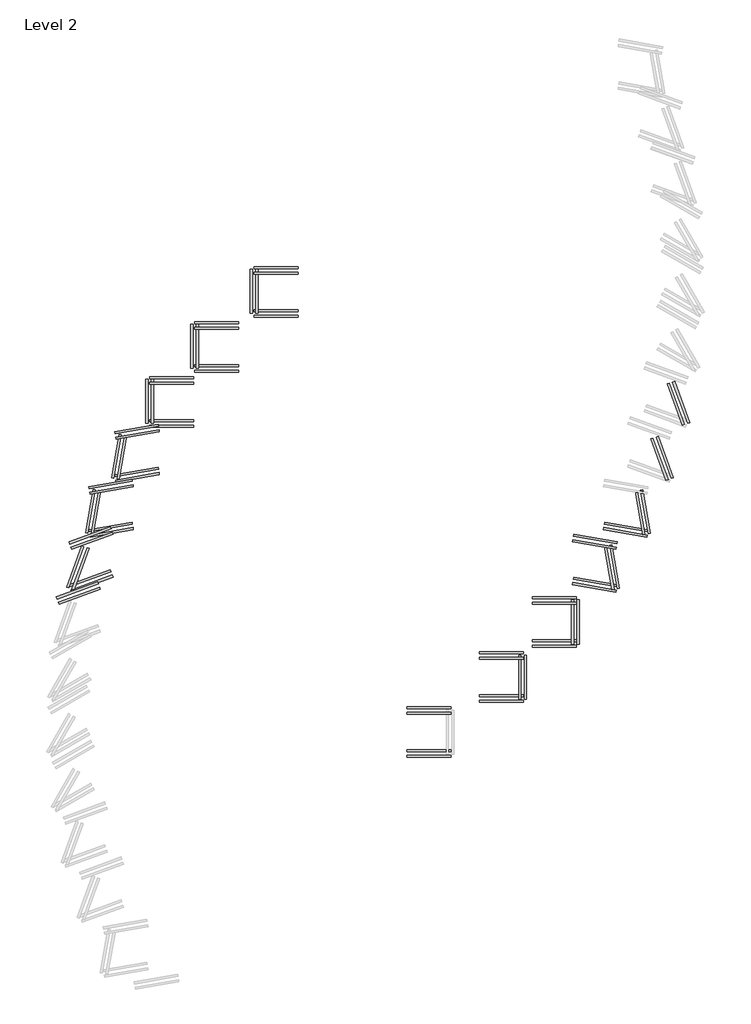
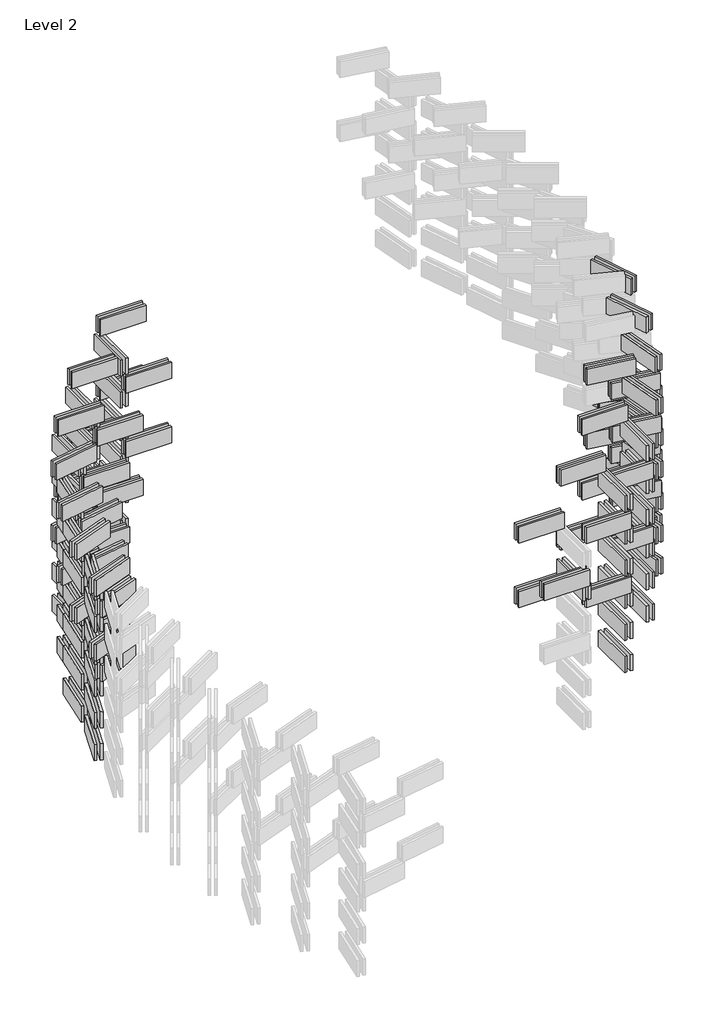
# One storey, part 2 of 3: 113 proxies.
"""IFC4 building model written with IfcOpenShell, lengths in millimetres."""

import ifcopenshell
import ifcopenshell.guid

model = None  # the IFC model being written
_history = None  # IfcOwnerHistory: only IFC2X3 demands one
_inside = {}  # id of a spatial element -> (the spatial element, [elements in it])
_under = {}  # id of a project, library or spatial element -> (it, [spatial elements below it])
_declared = {}  # id of a project -> (the project, [libraries it declares])
_typed = {}  # id of a type object -> (the type object, [elements of that type])
_made_of = {}  # id of a material, layer set ... -> (it, [elements and type objects made of it])


def new_model(schema):
    """Start an empty IFC model of exactly this schema.

    Asked for "IFC4X3", IfcOpenShell would pick the latest addendum, in which some entities
    have other attributes; the version numbers below select the first issue.
    IFC2X3 requires an IfcOwnerHistory on every rooted entity: one is made here for all.
    """
    global model, _history
    if schema == "IFC4X3":
        model = ifcopenshell.file(schema_version=(4, 3, 0, 0))
    else:
        model = ifcopenshell.file(schema=schema)
    _inside.clear()
    _under.clear()
    _declared.clear()
    _typed.clear()
    _made_of.clear()
    _history = None
    if model.schema == "IFC2X3":
        org = make("IfcOrganization", Name="unknown")
        user = make(
            "IfcPersonAndOrganization",
            ThePerson=make("IfcPerson", FamilyName="unknown"),
            TheOrganization=org,
        )
        app = make(
            "IfcApplication",
            ApplicationDeveloper=org,
            Version="unknown",
            ApplicationFullName="unknown",
            ApplicationIdentifier="unknown",
        )
        _history = make(
            "IfcOwnerHistory",
            OwningUser=user,
            OwningApplication=app,
            ChangeAction="ADDED",
            CreationDate=0,
        )
    return model


def make(cls, **values):
    """One entity of the class cls with the attributes given. An attribute that is None is left unset."""
    return model.create_entity(
        cls, **{name: value for name, value in values.items() if value is not None}
    )


def rooted(cls, **values):
    """An entity with a GlobalId (a new one), such as an element, a storey or a relation."""
    return make(cls, GlobalId=ifcopenshell.guid.new(), OwnerHistory=_history, **values)


def si_unit(unit_type, name, prefix=None):
    """IfcSIUnit, for example si_unit("LENGTHUNIT", "METRE", prefix="MILLI")."""
    return make("IfcSIUnit", UnitType=unit_type, Prefix=prefix, Name=name)


def assignment(units):
    """IfcUnitAssignment: the units of a project."""
    return None if units is None else make("IfcUnitAssignment", Units=units)


def point(xyz):
    """IfcCartesianPoint."""
    return None if xyz is None else make("IfcCartesianPoint", Coordinates=xyz)


def direction(xyz):
    """IfcDirection."""
    return None if xyz is None else make("IfcDirection", DirectionRatios=xyz)


def frame(location, z_axis=None, x_axis=None):
    """IfcAxis2Placement3D, a coordinate frame: its origin and axes. An axis left out is left unset."""
    return make(
        "IfcAxis2Placement3D",
        Location=point(location),
        Axis=direction(z_axis),
        RefDirection=direction(x_axis),
    )


def origin():
    """The frame at (0, 0, 0) with its axes left unset."""
    return frame((0.0, 0.0, 0.0))


def origin_with_axes():
    """The frame at (0, 0, 0) with the z axis (0, 0, 1) and the x axis (1, 0, 0) written out."""
    return frame((0.0, 0.0, 0.0), z_axis=(0.0, 0.0, 1.0), x_axis=(1.0, 0.0, 0.0))


def place(relative_to, where):
    """IfcLocalPlacement: puts the frame where relative to a parent placement (None: the world)."""
    return make(
        "IfcLocalPlacement", PlacementRelTo=relative_to, RelativePlacement=where
    )


def context(
    kind, dimensions, precision=None, world=None, true_north=None, identifier=None
):
    """IfcGeometricRepresentationContext, for example the 3D "Model" context."""
    return make(
        "IfcGeometricRepresentationContext",
        ContextIdentifier=identifier,
        ContextType=kind,
        CoordinateSpaceDimension=dimensions,
        Precision=precision,
        WorldCoordinateSystem=world,
        TrueNorth=true_north,
    )


def project(units=None, contexts=None):
    """IfcProject with its units and contexts."""
    return rooted(
        "IfcProject",
        Name="project",
        RepresentationContexts=contexts,
        UnitsInContext=assignment(units),
    )


def spatial(cls, under=None, at=None, **own):
    """A site, building, storey or space (cls), placed at a placement, below another one or the project."""
    s = rooted(cls, ObjectPlacement=at, **own)
    if under is not None:
        _under.setdefault(under.id(), (under, []))[1].append(s)
    return s


def polyline(points):
    """IfcPolyline through the points."""
    return make("IfcPolyline", Points=[point(p) for p in points])


def outline(outer, holes=None, kind="AREA"):
    """IfcArbitraryClosedProfileDef: a profile drawn as a closed curve; with holes, ...WithVoids."""
    if holes is None:
        return make("IfcArbitraryClosedProfileDef", ProfileType=kind, OuterCurve=outer)
    return make(
        "IfcArbitraryProfileDefWithVoids",
        ProfileType=kind,
        OuterCurve=outer,
        InnerCurves=holes,
    )


def extrude(swept, where, along, depth):
    """IfcExtrudedAreaSolid: the profile swept, set in the frame where, extruded along a direction by depth."""
    return make(
        "IfcExtrudedAreaSolid",
        SweptArea=swept,
        Position=where,
        ExtrudedDirection=direction(along),
        Depth=depth,
    )


def shape(context_of_items, identifier, shape_type, items):
    """IfcShapeRepresentation: the items that make up one representation, for example the "Body"."""
    return make(
        "IfcShapeRepresentation",
        ContextOfItems=context_of_items,
        RepresentationIdentifier=identifier,
        RepresentationType=shape_type,
        Items=items,
    )


def source(mapping_origin, context_of_items, identifier, shape_type, items):
    """IfcRepresentationMap: a shape defined once, which mapped items show again and again."""
    return make(
        "IfcRepresentationMap",
        MappingOrigin=mapping_origin,
        MappedRepresentation=shape(context_of_items, identifier, shape_type, items),
    )


def transform(
    local_origin,
    x_axis=None,
    y_axis=None,
    z_axis=None,
    scale=None,
    scale2=None,
    scale3=None,
    uniform=True,
):
    """IfcCartesianTransformationOperator3D, or its non-uniform kind. x_axis, y_axis, z_axis: its Axis1, 2, 3."""
    if uniform:
        return make(
            "IfcCartesianTransformationOperator3D",
            Axis1=direction(x_axis),
            Axis2=direction(y_axis),
            LocalOrigin=point(local_origin),
            Scale=scale,
            Axis3=direction(z_axis),
        )
    return make(
        "IfcCartesianTransformationOperator3DnonUniform",
        Axis1=direction(x_axis),
        Axis2=direction(y_axis),
        LocalOrigin=point(local_origin),
        Scale=scale,
        Axis3=direction(z_axis),
        Scale2=scale2,
        Scale3=scale3,
    )


def mapped(mapping_source, mapping_target):
    """IfcMappedItem: shows the shape of a source again, moved by a transform."""
    return make(
        "IfcMappedItem", MappingSource=mapping_source, MappingTarget=mapping_target
    )


def made_of(thing, what):
    """Note that an element or type object is made of a material, layer set ...; save() writes the relation."""
    if what is not None:
        _made_of.setdefault(what.id(), (what, []))[1].append(thing)
    return thing


def element(
    cls,
    number,
    at=None,
    inside=None,
    cuts=None,
    type_object=None,
    material=None,
    context=None,
    identifier="Body",
    shape_type=None,
    held_by="IfcProductDefinitionShape",
    body=None,
    shapes=None,
    **own,
):
    """One element of the class cls, such as IfcWall. Its Tag is "e" and its number.

    at: its placement. inside: the storey or other place that contains it. cuts: it is an
    opening in that element (IfcRelVoidsElement). A single representation is given by context,
    identifier, shape_type and body (its items); several are given by shapes. held_by: the class
    of the entity that holds the representations. save() writes the other relations.
    """
    e = rooted(cls, Tag="e%d" % number, ObjectPlacement=at, **own)
    if body is not None:
        shapes = [shape(context, identifier, shape_type, body)]
    if shapes is not None:
        e.Representation = make(held_by, Representations=shapes)
    if inside is not None:
        _inside.setdefault(inside.id(), (inside, []))[1].append(e)
    if cuts is not None:
        rooted(
            "IfcRelVoidsElement", RelatingBuildingElement=cuts, RelatedOpeningElement=e
        )
    if type_object is not None:
        _typed.setdefault(type_object.id(), (type_object, []))[1].append(e)
    return made_of(e, material)


def aggregate(whole, parts):
    """IfcRelAggregates: a whole, such as a stair, and the parts it consists of."""
    return rooted("IfcRelAggregates", RelatingObject=whole, RelatedObjects=parts)


def save(model, path):
    """Write the relations noted so far, then the file.

    IfcRelAggregates (storeys below a building ...), IfcRelContainedInSpatialStructure (elements
    in a storey), IfcRelDefinesByType, IfcRelAssociatesMaterial and IfcRelDeclares: one each for
    every whole, place, type object, material and project.
    """
    for whole, parts in _under.values():
        aggregate(whole, parts)
    for where, things in _inside.values():
        rooted(
            "IfcRelContainedInSpatialStructure",
            RelatedElements=things,
            RelatingStructure=where,
        )
    for kind, things in _typed.values():
        rooted("IfcRelDefinesByType", RelatedObjects=things, RelatingType=kind)
    for what, things in _made_of.values():
        rooted("IfcRelAssociatesMaterial", RelatedObjects=things, RelatingMaterial=what)
    for by, libraries in _declared.values():
        rooted("IfcRelDeclares", RelatingContext=by, RelatedDefinitions=libraries)
    model.write(path)


def generic_models_dbbdefe7(model_context):
    return source(origin(), model_context, "Body", "SweptSolid", [
        extrude(outline(polyline([(381.0073505, 122.712668), (387.8477533, 103.9188156), (11.970705, -32.8892417), (5.1303021, -14.0953893), (381.0073505, 122.712668)])), origin_with_axes(), (0.0, 0.0, 1.0), 150.0),
        extrude(outline(polyline([(363.9063433, 169.6972991), (370.7467462, 150.9034466), (-5.1303021, 14.0953893), (-11.970705, 32.8892417), (363.9063433, 169.6972991)])), origin_with_axes(), (0.0, 0.0, 1.0), 150.0),
    ])


def generic_models_43b23234(model_context):
    return source(origin(), model_context, "Body", "SweptSolid", [
        extrude(outline(polyline([(381.0073505, -122.712668), (5.1303021, 14.0953893), (11.970705, 32.8892417), (387.8477533, -103.9188156), (381.0073505, -122.712668)])), origin_with_axes(), (0.0, 0.0, 1.0), 150.0),
        extrude(outline(polyline([(363.9063433, -169.6972991), (-11.970705, -32.8892417), (-5.1303021, -14.0953893), (370.7467462, -150.9034466), (363.9063433, -169.6972991)])), origin_with_axes(), (0.0, 0.0, 1.0), 150.0),
    ])


def generic_models_25ff0691(model_context):
    return source(origin(), model_context, "Body", "SweptSolid", [
        extrude(outline(polyline([(400.0, -15.0), (400.0, -35.0), (0.0, -35.0), (0.0, -15.0), (400.0, -15.0)])), origin_with_axes(), (0.0, 0.0, 1.0), 150.0),
        extrude(outline(polyline([(400.0, 35.0), (400.0, 15.0), (0.0, 15.0), (0.0, 35.0), (400.0, 35.0)])), origin_with_axes(), (0.0, 0.0, 1.0), 150.0),
    ])


def generic_models_edf4453d(model_context):
    return source(origin(), model_context, "Body", "SweptSolid", [
        extrude(outline(polyline([(396.5278239, 54.6871548), (400.0007874, 34.9909997), (6.0776862, -34.4682714), (2.6047227, -14.7721163), (396.5278239, 54.6871548)])), origin_with_axes(), (0.0, 0.0, 1.0), 150.0),
        extrude(outline(polyline([(387.845415, 103.9275424), (391.3183785, 84.2313874), (-2.6047227, 14.7721163), (-6.0776862, 34.4682714), (387.845415, 103.9275424)])), origin_with_axes(), (0.0, 0.0, 1.0), 150.0),
    ])


def generic_models_8362e1e6(model_context):
    return source(origin(), model_context, "Body", "SweptSolid", [
        extrude(outline(polyline([(400.0, 15.0), (0.0, 15.0), (0.0, 35.0), (400.0, 35.0), (400.0, 15.0)])), origin_with_axes(), (0.0, 0.0, 1.0), 150.0),
        extrude(outline(polyline([(400.0, -35.0), (0.0, -35.0), (0.0, -15.0), (400.0, -15.0), (400.0, -35.0)])), origin_with_axes(), (0.0, 0.0, 1.0), 150.0),
    ])


def generic_models_812c0de3(model_context):
    return source(origin(), model_context, "Body", "SweptSolid", [
        extrude(outline(polyline([(396.5278239, -54.6871548), (2.6047227, 14.7721163), (6.0776862, 34.4682714), (400.0007874, -34.9909997), (396.5278239, -54.6871548)])), origin_with_axes(), (0.0, 0.0, 1.0), 150.0),
        extrude(outline(polyline([(387.845415, -103.9275424), (-6.0776862, -34.4682714), (-2.6047227, -14.7721163), (391.3183785, -84.2313874), (387.845415, -103.9275424)])), origin_with_axes(), (0.0, 0.0, 1.0), 150.0),
    ])


def generic_models_09aed395(model_context):
    return source(origin(), model_context, "Body", "SweptSolid", [
        extrude(outline(polyline([(15.0, 400.0), (35.0, 400.0), (35.0, 0.0), (15.0, 0.0), (15.0, 400.0)])), origin_with_axes(), (0.0, 0.0, 1.0), 150.0),
        extrude(outline(polyline([(-35.0, 400.0), (-15.0, 400.0), (-15.0, 0.0), (-35.0, 0.0), (-35.0, 400.0)])), origin_with_axes(), (0.0, 0.0, 1.0), 150.0),
    ])


def generic_models_a8825e89(model_context):
    return source(origin(), model_context, "Body", "SweptSolid", [
        extrude(outline(polyline([(84.2313874, 391.3183785), (103.9275424, 387.845415), (34.4682714, -6.0776862), (14.7721163, -2.6047227), (84.2313874, 391.3183785)])), origin_with_axes(), (0.0, 0.0, 1.0), 150.0),
        extrude(outline(polyline([(34.9909997, 400.0007874), (54.6871548, 396.5278239), (-14.7721163, 2.6047227), (-34.4682714, 6.0776862), (34.9909997, 400.0007874)])), origin_with_axes(), (0.0, 0.0, 1.0), 150.0),
    ])


def generic_models_9df1e602(model_context):
    return source(origin(), model_context, "Body", "SweptSolid", [
        extrude(outline(polyline([(150.9034466, 370.7467462), (169.6972991, 363.9063433), (32.8892417, -11.970705), (14.0953893, -5.1303021), (150.9034466, 370.7467462)])), origin_with_axes(), (0.0, 0.0, 1.0), 150.0),
        extrude(outline(polyline([(103.9188156, 387.8477533), (122.712668, 381.0073505), (-14.0953893, 5.1303021), (-32.8892417, 11.970705), (103.9188156, 387.8477533)])), origin_with_axes(), (0.0, 0.0, 1.0), 150.0),
    ])


def generic_models_3ea0953a(model_context):
    return source(origin(), model_context, "Body", "SweptSolid", [
        extrude(outline(polyline([(15.0, -400.0), (15.0, 0.0), (35.0, 0.0), (35.0, -400.0), (15.0, -400.0)])), origin_with_axes(), (0.0, 0.0, 1.0), 150.0),
        extrude(outline(polyline([(-35.0, -400.0), (-35.0, 0.0), (-15.0, 0.0), (-15.0, -400.0), (-35.0, -400.0)])), origin_with_axes(), (0.0, 0.0, 1.0), 150.0),
    ])


def generic_models_ab548b91(model_context):
    return source(origin(), model_context, "Body", "SweptSolid", [
        extrude(outline(polyline([(84.2313874, -391.3183785), (14.7721163, 2.6047227), (34.4682714, 6.0776862), (103.9275424, -387.845415), (84.2313874, -391.3183785)])), origin_with_axes(), (0.0, 0.0, 1.0), 150.0),
        extrude(outline(polyline([(34.9909997, -400.0007874), (-34.4682714, -6.0776862), (-14.7721163, -2.6047227), (54.6871548, -396.5278239), (34.9909997, -400.0007874)])), origin_with_axes(), (0.0, 0.0, 1.0), 150.0),
    ])


def generic_models_c24a9490(model_context):
    return source(origin(), model_context, "Body", "SweptSolid", [
        extrude(outline(polyline([(150.9034466, -370.7467462), (14.0953893, 5.1303021), (32.8892417, 11.970705), (169.6972991, -363.9063433), (150.9034466, -370.7467462)])), origin_with_axes(), (0.0, 0.0, 1.0), 150.0),
        extrude(outline(polyline([(103.9188156, -387.8477533), (-32.8892417, -11.970705), (-14.0953893, -5.1303021), (122.712668, -381.0073505), (103.9188156, -387.8477533)])), origin_with_axes(), (0.0, 0.0, 1.0), 150.0),
    ])


model = new_model("IFC4")

# Units and contexts
model_context = context("Model", 3, world=origin())
ifc_project = project(units=[si_unit("LENGTHUNIT", "METRE", prefix="MILLI")], contexts=[model_context])

# Site, building, storey
site = spatial("IfcSite", under=ifc_project)
building = spatial("IfcBuilding", under=site)
storey = spatial("IfcBuildingStorey", under=building, Name="Level 2", Elevation=4000.0)

# Proxies
placement = place(None, origin())
generic_models_shape = generic_models_dbbdefe7(model_context)
element("IfcBuildingElementProxy", 1, Name="Generic Models", at=placement, inside=storey, context=model_context, shape_type="MappedRepresentation", body=[
    mapped(generic_models_shape, transform((-7804.8596319, 4362.904145, 1800.0), x_axis=(1.0, 0.0, 0.0), y_axis=(0.0, 1.0, 0.0), z_axis=(0.0, 0.0, 1.0))),
])
element("IfcBuildingElementProxy", 2, Name="Generic Models", at=placement, inside=storey, context=model_context, shape_type="MappedRepresentation", body=[
    mapped(generic_models_shape, transform((-7919.8225254, 4252.904145, 2100.0), x_axis=(1.0, 0.0, 0.0), y_axis=(0.0, 1.0, 0.0), z_axis=(0.0, 0.0, 1.0))),
])
element("IfcBuildingElementProxy", 3, Name="Generic Models", at=placement, inside=storey, context=model_context, shape_type="MappedRepresentation", body=[
    mapped(generic_models_shape, transform((-7804.8596319, 4752.904145, 2100.0), x_axis=(1.0, 0.0, 0.0), y_axis=(0.0, 1.0, 0.0), z_axis=(0.0, 0.0, 1.0))),
])
element("IfcBuildingElementProxy", 4, Name="Generic Models", at=placement, inside=storey, context=model_context, shape_type="MappedRepresentation", body=[
    mapped(generic_models_shape, transform((-7804.8596319, 4362.904145, 2399.9768168), x_axis=(1.0, 0.0, 0.0), y_axis=(0.0, 1.0, 0.0), z_axis=(0.0, 0.0, 1.0))),
])
element("IfcBuildingElementProxy", 5, Name="Generic Models", at=placement, inside=storey, context=model_context, shape_type="MappedRepresentation", body=[
    mapped(generic_models_shape, transform((-7919.8225254, 4252.904145, 2699.9768168), x_axis=(1.0, 0.0, 0.0), y_axis=(0.0, 1.0, 0.0), z_axis=(0.0, 0.0, 1.0))),
])
element("IfcBuildingElementProxy", 6, Name="Generic Models", at=placement, inside=storey, context=model_context, shape_type="MappedRepresentation", body=[
    mapped(generic_models_shape, transform((-7804.8596319, 4752.904145, 2699.9768168), x_axis=(1.0, 0.0, 0.0), y_axis=(0.0, 1.0, 0.0), z_axis=(0.0, 0.0, 1.0))),
])
generic_models_2_shape = generic_models_43b23234(model_context)
element("IfcBuildingElementProxy", 7, Name="Generic Models", at=placement, inside=storey, context=model_context, shape_type="MappedRepresentation", body=[
    mapped(generic_models_2_shape, transform((-2347.7008186, 5362.904145, 1800.0), x_axis=(-1.0, 0.0, 0.0), y_axis=(0.0, -1.0, 0.0), z_axis=(0.0, 0.0, 1.0))),
])
generic_models_3_shape = generic_models_25ff0691(model_context)
element("IfcBuildingElementProxy", 8, Name="Generic Models", at=placement, inside=storey, context=model_context, shape_type="MappedRepresentation", body=[
    mapped(generic_models_3_shape, transform((-7083.3626154, 5862.904145, 1800.0), x_axis=(1.0, 0.0, 0.0), y_axis=(0.0, 1.0, 0.0), z_axis=(0.0, 0.0, 1.0))),
])
element("IfcBuildingElementProxy", 9, Name="Generic Models", at=placement, inside=storey, context=model_context, shape_type="MappedRepresentation", body=[
    mapped(generic_models_3_shape, transform((-6675.6069533, 6362.904145, 1800.0), x_axis=(1.0, 0.0, 0.0), y_axis=(0.0, 1.0, 0.0), z_axis=(0.0, 0.0, 1.0))),
])
element("IfcBuildingElementProxy", 10, Name="Generic Models", at=placement, inside=storey, context=model_context, shape_type="MappedRepresentation", body=[
    mapped(generic_models_3_shape, transform((-6134.5620549, 6862.904145, 1800.0), x_axis=(1.0, 0.0, 0.0), y_axis=(0.0, 1.0, 0.0), z_axis=(0.0, 0.0, 1.0))),
])
element("IfcBuildingElementProxy", 11, Name="Generic Models", at=placement, inside=storey, context=model_context, shape_type="MappedRepresentation", body=[
    mapped(generic_models_3_shape, transform((-7083.3626154, 6252.904145, 2100.0), x_axis=(1.0, 0.0, 0.0), y_axis=(0.0, 1.0, 0.0), z_axis=(0.0, 0.0, 1.0))),
])
element("IfcBuildingElementProxy", 12, Name="Generic Models", at=placement, inside=storey, context=model_context, shape_type="MappedRepresentation", body=[
    mapped(generic_models_3_shape, transform((-6675.6069533, 6752.904145, 2100.0), x_axis=(1.0, 0.0, 0.0), y_axis=(0.0, 1.0, 0.0), z_axis=(0.0, 0.0, 1.0))),
])
element("IfcBuildingElementProxy", 13, Name="Generic Models", at=placement, inside=storey, context=model_context, shape_type="MappedRepresentation", body=[
    mapped(generic_models_3_shape, transform((-6134.5620549, 7252.904145, 2100.0), x_axis=(1.0, 0.0, 0.0), y_axis=(0.0, 1.0, 0.0), z_axis=(0.0, 0.0, 1.0))),
])
element("IfcBuildingElementProxy", 14, Name="Generic Models", at=placement, inside=storey, context=model_context, shape_type="MappedRepresentation", body=[
    mapped(generic_models_3_shape, transform((-7083.3626154, 5862.904145, 2399.9768168), x_axis=(1.0, 0.0, 0.0), y_axis=(0.0, 1.0, 0.0), z_axis=(0.0, 0.0, 1.0))),
])
element("IfcBuildingElementProxy", 15, Name="Generic Models", at=placement, inside=storey, context=model_context, shape_type="MappedRepresentation", body=[
    mapped(generic_models_3_shape, transform((-6675.6069533, 6362.904145, 2399.9768168), x_axis=(1.0, 0.0, 0.0), y_axis=(0.0, 1.0, 0.0), z_axis=(0.0, 0.0, 1.0))),
])
element("IfcBuildingElementProxy", 16, Name="Generic Models", at=placement, inside=storey, context=model_context, shape_type="MappedRepresentation", body=[
    mapped(generic_models_3_shape, transform((-6134.5620549, 6862.904145, 2399.9768168), x_axis=(1.0, 0.0, 0.0), y_axis=(0.0, 1.0, 0.0), z_axis=(0.0, 0.0, 1.0))),
])
element("IfcBuildingElementProxy", 17, Name="Generic Models", at=placement, inside=storey, context=model_context, shape_type="MappedRepresentation", body=[
    mapped(generic_models_3_shape, transform((-7083.3626154, 6252.904145, 2699.9768168), x_axis=(1.0, 0.0, 0.0), y_axis=(0.0, 1.0, 0.0), z_axis=(0.0, 0.0, 1.0))),
])
element("IfcBuildingElementProxy", 18, Name="Generic Models", at=placement, inside=storey, context=model_context, shape_type="MappedRepresentation", body=[
    mapped(generic_models_3_shape, transform((-6675.6069533, 6752.904145, 2699.9768168), x_axis=(1.0, 0.0, 0.0), y_axis=(0.0, 1.0, 0.0), z_axis=(0.0, 0.0, 1.0))),
])
element("IfcBuildingElementProxy", 19, Name="Generic Models", at=placement, inside=storey, context=model_context, shape_type="MappedRepresentation", body=[
    mapped(generic_models_3_shape, transform((-6134.5620549, 7252.904145, 2699.9768168), x_axis=(1.0, 0.0, 0.0), y_axis=(0.0, 1.0, 0.0), z_axis=(0.0, 0.0, 1.0))),
])
generic_models_4_shape = generic_models_edf4453d(model_context)
element("IfcBuildingElementProxy", 20, Name="Generic Models", at=placement, inside=storey, context=model_context, shape_type="MappedRepresentation", body=[
    mapped(generic_models_4_shape, transform((-7632.4634059, 4862.904145, 1800.0), x_axis=(1.0, 0.0, 0.0), y_axis=(0.0, 1.0, 0.0), z_axis=(0.0, 0.0, 1.0))),
])
element("IfcBuildingElementProxy", 21, Name="Generic Models", at=placement, inside=storey, context=model_context, shape_type="MappedRepresentation", body=[
    mapped(generic_models_4_shape, transform((-7395.7595558, 5362.904145, 1800.0), x_axis=(1.0, 0.0, 0.0), y_axis=(0.0, 1.0, 0.0), z_axis=(0.0, 0.0, 1.0))),
])
element("IfcBuildingElementProxy", 22, Name="Generic Models", at=placement, inside=storey, context=model_context, shape_type="MappedRepresentation", body=[
    mapped(generic_models_4_shape, transform((-7632.4634059, 5252.904145, 2100.0), x_axis=(1.0, 0.0, 0.0), y_axis=(0.0, 1.0, 0.0), z_axis=(0.0, 0.0, 1.0))),
])
element("IfcBuildingElementProxy", 23, Name="Generic Models", at=placement, inside=storey, context=model_context, shape_type="MappedRepresentation", body=[
    mapped(generic_models_4_shape, transform((-7395.7595558, 5752.904145, 2100.0), x_axis=(1.0, 0.0, 0.0), y_axis=(0.0, 1.0, 0.0), z_axis=(0.0, 0.0, 1.0))),
])
element("IfcBuildingElementProxy", 24, Name="Generic Models", at=placement, inside=storey, context=model_context, shape_type="MappedRepresentation", body=[
    mapped(generic_models_4_shape, transform((-7632.4634059, 4862.904145, 2399.9768168), x_axis=(1.0, 0.0, 0.0), y_axis=(0.0, 1.0, 0.0), z_axis=(0.0, 0.0, 1.0))),
])
element("IfcBuildingElementProxy", 25, Name="Generic Models", at=placement, inside=storey, context=model_context, shape_type="MappedRepresentation", body=[
    mapped(generic_models_4_shape, transform((-7395.7595558, 5362.904145, 2399.9768168), x_axis=(1.0, 0.0, 0.0), y_axis=(0.0, 1.0, 0.0), z_axis=(0.0, 0.0, 1.0))),
])
element("IfcBuildingElementProxy", 26, Name="Generic Models", at=placement, inside=storey, context=model_context, shape_type="MappedRepresentation", body=[
    mapped(generic_models_4_shape, transform((-7632.4634059, 5252.904145, 2699.9768168), x_axis=(1.0, 0.0, 0.0), y_axis=(0.0, 1.0, 0.0), z_axis=(0.0, 0.0, 1.0))),
])
element("IfcBuildingElementProxy", 27, Name="Generic Models", at=placement, inside=storey, context=model_context, shape_type="MappedRepresentation", body=[
    mapped(generic_models_4_shape, transform((-7395.7595558, 5752.904145, 2699.9768168), x_axis=(1.0, 0.0, 0.0), y_axis=(0.0, 1.0, 0.0), z_axis=(0.0, 0.0, 1.0))),
])
generic_models_5_shape = generic_models_8362e1e6(model_context)
element("IfcBuildingElementProxy", 28, Name="Generic Models", at=placement, inside=storey, context=model_context, shape_type="MappedRepresentation", body=[
    mapped(generic_models_5_shape, transform((-3685.5578323, 3362.904145, 1800.0), x_axis=(-1.0, 0.0, 0.0), y_axis=(0.0, -1.0, 0.0), z_axis=(0.0, 0.0, 1.0))),
])
element("IfcBuildingElementProxy", 29, Name="Generic Models", at=placement, inside=storey, context=model_context, shape_type="MappedRepresentation", body=[
    mapped(generic_models_5_shape, transform((-3204.4083637, 3862.904145, 1800.0), x_axis=(-1.0, 0.0, 0.0), y_axis=(0.0, -1.0, 0.0), z_axis=(0.0, 0.0, 1.0))),
])
element("IfcBuildingElementProxy", 30, Name="Generic Models", at=placement, inside=storey, context=model_context, shape_type="MappedRepresentation", body=[
    mapped(generic_models_5_shape, transform((-4343.5315996, 3252.904145, 2100.0), x_axis=(-1.0, 0.0, 0.0), y_axis=(0.0, -1.0, 0.0), z_axis=(0.0, 0.0, 1.0))),
])
element("IfcBuildingElementProxy", 31, Name="Generic Models", at=placement, inside=storey, context=model_context, shape_type="MappedRepresentation", body=[
    mapped(generic_models_5_shape, transform((-3685.5578323, 3752.904145, 2100.0), x_axis=(-1.0, 0.0, 0.0), y_axis=(0.0, -1.0, 0.0), z_axis=(0.0, 0.0, 1.0))),
])
element("IfcBuildingElementProxy", 32, Name="Generic Models", at=placement, inside=storey, context=model_context, shape_type="MappedRepresentation", body=[
    mapped(generic_models_5_shape, transform((-3204.4083637, 4252.904145, 2100.0), x_axis=(-1.0, 0.0, 0.0), y_axis=(0.0, -1.0, 0.0), z_axis=(0.0, 0.0, 1.0))),
])
element("IfcBuildingElementProxy", 33, Name="Generic Models", at=placement, inside=storey, context=model_context, shape_type="MappedRepresentation", body=[
    mapped(generic_models_5_shape, transform((-4343.5315996, 2862.904145, 2399.9768168), x_axis=(-1.0, 0.0, 0.0), y_axis=(0.0, -1.0, 0.0), z_axis=(0.0, 0.0, 1.0))),
])
element("IfcBuildingElementProxy", 34, Name="Generic Models", at=placement, inside=storey, context=model_context, shape_type="MappedRepresentation", body=[
    mapped(generic_models_5_shape, transform((-3685.5578323, 3362.904145, 2399.9768168), x_axis=(-1.0, 0.0, 0.0), y_axis=(0.0, -1.0, 0.0), z_axis=(0.0, 0.0, 1.0))),
])
element("IfcBuildingElementProxy", 35, Name="Generic Models", at=placement, inside=storey, context=model_context, shape_type="MappedRepresentation", body=[
    mapped(generic_models_5_shape, transform((-3204.4083637, 3862.904145, 2399.9768168), x_axis=(-1.0, 0.0, 0.0), y_axis=(0.0, -1.0, 0.0), z_axis=(0.0, 0.0, 1.0))),
])
element("IfcBuildingElementProxy", 36, Name="Generic Models", at=placement, inside=storey, context=model_context, shape_type="MappedRepresentation", body=[
    mapped(generic_models_5_shape, transform((-4343.5315996, 3252.904145, 2699.9768168), x_axis=(-1.0, 0.0, 0.0), y_axis=(0.0, -1.0, 0.0), z_axis=(0.0, 0.0, 1.0))),
])
element("IfcBuildingElementProxy", 37, Name="Generic Models", at=placement, inside=storey, context=model_context, shape_type="MappedRepresentation", body=[
    mapped(generic_models_5_shape, transform((-3685.5578323, 3752.904145, 2699.9768168), x_axis=(-1.0, 0.0, 0.0), y_axis=(0.0, -1.0, 0.0), z_axis=(0.0, 0.0, 1.0))),
])
element("IfcBuildingElementProxy", 38, Name="Generic Models", at=placement, inside=storey, context=model_context, shape_type="MappedRepresentation", body=[
    mapped(generic_models_5_shape, transform((-3204.4083637, 4252.904145, 2699.9768168), x_axis=(-1.0, 0.0, 0.0), y_axis=(0.0, -1.0, 0.0), z_axis=(0.0, 0.0, 1.0))),
])
generic_models_6_shape = generic_models_812c0de3(model_context)
element("IfcBuildingElementProxy", 39, Name="Generic Models", at=placement, inside=storey, context=model_context, shape_type="MappedRepresentation", body=[
    mapped(generic_models_6_shape, transform((-2837.9691377, 4362.904145, 1800.0), x_axis=(-1.0, 0.0, 0.0), y_axis=(0.0, -1.0, 0.0), z_axis=(0.0, 0.0, 1.0))),
])
element("IfcBuildingElementProxy", 40, Name="Generic Models", at=placement, inside=storey, context=model_context, shape_type="MappedRepresentation", body=[
    mapped(generic_models_6_shape, transform((-2557.621087, 4862.904145, 1800.0), x_axis=(-1.0, 0.0, 0.0), y_axis=(0.0, -1.0, 0.0), z_axis=(0.0, 0.0, 1.0))),
])
element("IfcBuildingElementProxy", 41, Name="Generic Models", at=placement, inside=storey, context=model_context, shape_type="MappedRepresentation", body=[
    mapped(generic_models_6_shape, transform((-2837.9691377, 4752.904145, 2100.0), x_axis=(-1.0, 0.0, 0.0), y_axis=(0.0, -1.0, 0.0), z_axis=(0.0, 0.0, 1.0))),
])
element("IfcBuildingElementProxy", 42, Name="Generic Models", at=placement, inside=storey, context=model_context, shape_type="MappedRepresentation", body=[
    mapped(generic_models_6_shape, transform((-2837.9691377, 4362.904145, 2399.9768168), x_axis=(-1.0, 0.0, 0.0), y_axis=(0.0, -1.0, 0.0), z_axis=(0.0, 0.0, 1.0))),
])
element("IfcBuildingElementProxy", 43, Name="Generic Models", at=placement, inside=storey, context=model_context, shape_type="MappedRepresentation", body=[
    mapped(generic_models_6_shape, transform((-2557.621087, 4862.904145, 2399.9768168), x_axis=(-1.0, 0.0, 0.0), y_axis=(0.0, -1.0, 0.0), z_axis=(0.0, 0.0, 1.0))),
])
element("IfcBuildingElementProxy", 44, Name="Generic Models", at=placement, inside=storey, context=model_context, shape_type="MappedRepresentation", body=[
    mapped(generic_models_6_shape, transform((-2837.9691377, 4752.904145, 2699.9768168), x_axis=(-1.0, 0.0, 0.0), y_axis=(0.0, -1.0, 0.0), z_axis=(0.0, 0.0, 1.0))),
])
generic_models_7_shape = generic_models_09aed395(model_context)
element("IfcBuildingElementProxy", 45, Name="Generic Models", at=placement, inside=storey, context=model_context, shape_type="MappedRepresentation", body=[
    mapped(generic_models_7_shape, transform((-7083.3626154, 5862.904145, 1349.9768168), x_axis=(1.0, 0.0, 0.0), y_axis=(0.0, 1.0, 0.0), z_axis=(0.0, 0.0, 1.0))),
])
element("IfcBuildingElementProxy", 46, Name="Generic Models", at=placement, inside=storey, context=model_context, shape_type="MappedRepresentation", body=[
    mapped(generic_models_7_shape, transform((-6675.6069533, 6362.904145, 1349.9768168), x_axis=(1.0, 0.0, 0.0), y_axis=(0.0, 1.0, 0.0), z_axis=(0.0, 0.0, 1.0))),
])
element("IfcBuildingElementProxy", 47, Name="Generic Models", at=placement, inside=storey, context=model_context, shape_type="MappedRepresentation", body=[
    mapped(generic_models_7_shape, transform((-6134.5620549, 6862.904145, 1349.9768168), x_axis=(1.0, 0.0, 0.0), y_axis=(0.0, 1.0, 0.0), z_axis=(0.0, 0.0, 1.0))),
])
element("IfcBuildingElementProxy", 48, Name="Generic Models", at=placement, inside=storey, context=model_context, shape_type="MappedRepresentation", body=[
    mapped(generic_models_7_shape, transform((-7083.3626154, 5862.904145, 1049.9768168), x_axis=(1.0, 0.0, 0.0), y_axis=(0.0, 1.0, 0.0), z_axis=(0.0, 0.0, 1.0))),
])
element("IfcBuildingElementProxy", 49, Name="Generic Models", at=placement, inside=storey, context=model_context, shape_type="MappedRepresentation", body=[
    mapped(generic_models_7_shape, transform((-6675.6069533, 6362.904145, 1049.9768168), x_axis=(1.0, 0.0, 0.0), y_axis=(0.0, 1.0, 0.0), z_axis=(0.0, 0.0, 1.0))),
])
element("IfcBuildingElementProxy", 50, Name="Generic Models", at=placement, inside=storey, context=model_context, shape_type="MappedRepresentation", body=[
    mapped(generic_models_7_shape, transform((-6134.5620549, 6862.904145, 1049.9768168), x_axis=(1.0, 0.0, 0.0), y_axis=(0.0, 1.0, 0.0), z_axis=(0.0, 0.0, 1.0))),
])
element("IfcBuildingElementProxy", 51, Name="Generic Models", at=placement, inside=storey, context=model_context, shape_type="MappedRepresentation", body=[
    mapped(generic_models_7_shape, transform((-7083.3626154, 5862.904145, 2549.9768168), x_axis=(1.0, 0.0, 0.0), y_axis=(0.0, 1.0, 0.0), z_axis=(0.0, 0.0, 1.0))),
])
element("IfcBuildingElementProxy", 52, Name="Generic Models", at=placement, inside=storey, context=model_context, shape_type="MappedRepresentation", body=[
    mapped(generic_models_7_shape, transform((-6675.6069533, 6362.904145, 2549.9768168), x_axis=(1.0, 0.0, 0.0), y_axis=(0.0, 1.0, 0.0), z_axis=(0.0, 0.0, 1.0))),
])
element("IfcBuildingElementProxy", 53, Name="Generic Models", at=placement, inside=storey, context=model_context, shape_type="MappedRepresentation", body=[
    mapped(generic_models_7_shape, transform((-6134.5620549, 6862.904145, 2549.9768168), x_axis=(1.0, 0.0, 0.0), y_axis=(0.0, 1.0, 0.0), z_axis=(0.0, 0.0, 1.0))),
])
element("IfcBuildingElementProxy", 54, Name="Generic Models", at=placement, inside=storey, context=model_context, shape_type="MappedRepresentation", body=[
    mapped(generic_models_7_shape, transform((-7083.3626154, 5862.904145, 1650.0), x_axis=(1.0, 0.0, 0.0), y_axis=(0.0, 1.0, 0.0), z_axis=(0.0, 0.0, 1.0))),
])
element("IfcBuildingElementProxy", 55, Name="Generic Models", at=placement, inside=storey, context=model_context, shape_type="MappedRepresentation", body=[
    mapped(generic_models_7_shape, transform((-6675.6069533, 6362.904145, 1650.0), x_axis=(1.0, 0.0, 0.0), y_axis=(0.0, 1.0, 0.0), z_axis=(0.0, 0.0, 1.0))),
])
element("IfcBuildingElementProxy", 56, Name="Generic Models", at=placement, inside=storey, context=model_context, shape_type="MappedRepresentation", body=[
    mapped(generic_models_7_shape, transform((-6134.5620549, 6862.904145, 1650.0), x_axis=(1.0, 0.0, 0.0), y_axis=(0.0, 1.0, 0.0), z_axis=(0.0, 0.0, 1.0))),
])
element("IfcBuildingElementProxy", 57, Name="Generic Models", at=placement, inside=storey, context=model_context, shape_type="MappedRepresentation", body=[
    mapped(generic_models_7_shape, transform((-7083.3626154, 5862.904145, 1949.9768168), x_axis=(1.0, 0.0, 0.0), y_axis=(0.0, 1.0, 0.0), z_axis=(0.0, 0.0, 1.0))),
])
element("IfcBuildingElementProxy", 58, Name="Generic Models", at=placement, inside=storey, context=model_context, shape_type="MappedRepresentation", body=[
    mapped(generic_models_7_shape, transform((-6675.6069533, 6362.904145, 1949.9768168), x_axis=(1.0, 0.0, 0.0), y_axis=(0.0, 1.0, 0.0), z_axis=(0.0, 0.0, 1.0))),
])
element("IfcBuildingElementProxy", 59, Name="Generic Models", at=placement, inside=storey, context=model_context, shape_type="MappedRepresentation", body=[
    mapped(generic_models_7_shape, transform((-6134.5620549, 6862.904145, 1949.9768168), x_axis=(1.0, 0.0, 0.0), y_axis=(0.0, 1.0, 0.0), z_axis=(0.0, 0.0, 1.0))),
])
element("IfcBuildingElementProxy", 60, Name="Generic Models", at=placement, inside=storey, context=model_context, shape_type="MappedRepresentation", body=[
    mapped(generic_models_7_shape, transform((-7083.3626154, 5862.904145, 2249.9768168), x_axis=(1.0, 0.0, 0.0), y_axis=(0.0, 1.0, 0.0), z_axis=(0.0, 0.0, 1.0))),
])
element("IfcBuildingElementProxy", 61, Name="Generic Models", at=placement, inside=storey, context=model_context, shape_type="MappedRepresentation", body=[
    mapped(generic_models_7_shape, transform((-6675.6069533, 6362.904145, 2249.9768168), x_axis=(1.0, 0.0, 0.0), y_axis=(0.0, 1.0, 0.0), z_axis=(0.0, 0.0, 1.0))),
])
element("IfcBuildingElementProxy", 62, Name="Generic Models", at=placement, inside=storey, context=model_context, shape_type="MappedRepresentation", body=[
    mapped(generic_models_7_shape, transform((-6134.5620549, 6862.904145, 2249.9768168), x_axis=(1.0, 0.0, 0.0), y_axis=(0.0, 1.0, 0.0), z_axis=(0.0, 0.0, 1.0))),
])
generic_models_8_shape = generic_models_a8825e89(model_context)
element("IfcBuildingElementProxy", 63, Name="Generic Models", at=placement, inside=storey, context=model_context, shape_type="MappedRepresentation", body=[
    mapped(generic_models_8_shape, transform((-7632.4634059, 4862.904145, 1349.9768168), x_axis=(1.0, 0.0, 0.0), y_axis=(0.0, 1.0, 0.0), z_axis=(0.0, 0.0, 1.0))),
])
element("IfcBuildingElementProxy", 64, Name="Generic Models", at=placement, inside=storey, context=model_context, shape_type="MappedRepresentation", body=[
    mapped(generic_models_8_shape, transform((-7395.7595558, 5362.904145, 1349.9768168), x_axis=(1.0, 0.0, 0.0), y_axis=(0.0, 1.0, 0.0), z_axis=(0.0, 0.0, 1.0))),
])
element("IfcBuildingElementProxy", 65, Name="Generic Models", at=placement, inside=storey, context=model_context, shape_type="MappedRepresentation", body=[
    mapped(generic_models_8_shape, transform((-7632.4634059, 4862.904145, 1049.9768168), x_axis=(1.0, 0.0, 0.0), y_axis=(0.0, 1.0, 0.0), z_axis=(0.0, 0.0, 1.0))),
])
element("IfcBuildingElementProxy", 66, Name="Generic Models", at=placement, inside=storey, context=model_context, shape_type="MappedRepresentation", body=[
    mapped(generic_models_8_shape, transform((-7395.7595558, 5362.904145, 1049.9768168), x_axis=(1.0, 0.0, 0.0), y_axis=(0.0, 1.0, 0.0), z_axis=(0.0, 0.0, 1.0))),
])
element("IfcBuildingElementProxy", 67, Name="Generic Models", at=placement, inside=storey, context=model_context, shape_type="MappedRepresentation", body=[
    mapped(generic_models_8_shape, transform((-7632.4634059, 4862.904145, 2549.9768168), x_axis=(1.0, 0.0, 0.0), y_axis=(0.0, 1.0, 0.0), z_axis=(0.0, 0.0, 1.0))),
])
element("IfcBuildingElementProxy", 68, Name="Generic Models", at=placement, inside=storey, context=model_context, shape_type="MappedRepresentation", body=[
    mapped(generic_models_8_shape, transform((-7395.7595558, 5362.904145, 2549.9768168), x_axis=(1.0, 0.0, 0.0), y_axis=(0.0, 1.0, 0.0), z_axis=(0.0, 0.0, 1.0))),
])
element("IfcBuildingElementProxy", 69, Name="Generic Models", at=placement, inside=storey, context=model_context, shape_type="MappedRepresentation", body=[
    mapped(generic_models_8_shape, transform((-7632.4634059, 4862.904145, 1650.0), x_axis=(1.0, 0.0, 0.0), y_axis=(0.0, 1.0, 0.0), z_axis=(0.0, 0.0, 1.0))),
])
element("IfcBuildingElementProxy", 70, Name="Generic Models", at=placement, inside=storey, context=model_context, shape_type="MappedRepresentation", body=[
    mapped(generic_models_8_shape, transform((-7395.7595558, 5362.904145, 1650.0), x_axis=(1.0, 0.0, 0.0), y_axis=(0.0, 1.0, 0.0), z_axis=(0.0, 0.0, 1.0))),
])
element("IfcBuildingElementProxy", 71, Name="Generic Models", at=placement, inside=storey, context=model_context, shape_type="MappedRepresentation", body=[
    mapped(generic_models_8_shape, transform((-7632.4634059, 4862.904145, 1949.9768168), x_axis=(1.0, 0.0, 0.0), y_axis=(0.0, 1.0, 0.0), z_axis=(0.0, 0.0, 1.0))),
])
element("IfcBuildingElementProxy", 72, Name="Generic Models", at=placement, inside=storey, context=model_context, shape_type="MappedRepresentation", body=[
    mapped(generic_models_8_shape, transform((-7395.7595558, 5362.904145, 1949.9768168), x_axis=(1.0, 0.0, 0.0), y_axis=(0.0, 1.0, 0.0), z_axis=(0.0, 0.0, 1.0))),
])
element("IfcBuildingElementProxy", 73, Name="Generic Models", at=placement, inside=storey, context=model_context, shape_type="MappedRepresentation", body=[
    mapped(generic_models_8_shape, transform((-7632.4634059, 4862.904145, 2249.9768168), x_axis=(1.0, 0.0, 0.0), y_axis=(0.0, 1.0, 0.0), z_axis=(0.0, 0.0, 1.0))),
])
element("IfcBuildingElementProxy", 74, Name="Generic Models", at=placement, inside=storey, context=model_context, shape_type="MappedRepresentation", body=[
    mapped(generic_models_8_shape, transform((-7395.7595558, 5362.904145, 2249.9768168), x_axis=(1.0, 0.0, 0.0), y_axis=(0.0, 1.0, 0.0), z_axis=(0.0, 0.0, 1.0))),
])
generic_models_9_shape = generic_models_9df1e602(model_context)
element("IfcBuildingElementProxy", 75, Name="Generic Models", at=placement, inside=storey, context=model_context, shape_type="MappedRepresentation", body=[
    mapped(generic_models_9_shape, transform((-7804.8596319, 4362.904145, 1349.9768168), x_axis=(1.0, 0.0, 0.0), y_axis=(0.0, 1.0, 0.0), z_axis=(0.0, 0.0, 1.0))),
])
element("IfcBuildingElementProxy", 76, Name="Generic Models", at=placement, inside=storey, context=model_context, shape_type="MappedRepresentation", body=[
    mapped(generic_models_9_shape, transform((-7804.8596319, 4362.904145, 1049.9768168), x_axis=(1.0, 0.0, 0.0), y_axis=(0.0, 1.0, 0.0), z_axis=(0.0, 0.0, 1.0))),
])
element("IfcBuildingElementProxy", 77, Name="Generic Models", at=placement, inside=storey, context=model_context, shape_type="MappedRepresentation", body=[
    mapped(generic_models_9_shape, transform((-7804.8596319, 4362.904145, 2549.9768168), x_axis=(1.0, 0.0, 0.0), y_axis=(0.0, 1.0, 0.0), z_axis=(0.0, 0.0, 1.0))),
])
element("IfcBuildingElementProxy", 78, Name="Generic Models", at=placement, inside=storey, context=model_context, shape_type="MappedRepresentation", body=[
    mapped(generic_models_9_shape, transform((-7804.8596319, 4362.904145, 1650.0), x_axis=(1.0, 0.0, 0.0), y_axis=(0.0, 1.0, 0.0), z_axis=(0.0, 0.0, 1.0))),
])
element("IfcBuildingElementProxy", 79, Name="Generic Models", at=placement, inside=storey, context=model_context, shape_type="MappedRepresentation", body=[
    mapped(generic_models_9_shape, transform((-7804.8596319, 4362.904145, 1949.9768168), x_axis=(1.0, 0.0, 0.0), y_axis=(0.0, 1.0, 0.0), z_axis=(0.0, 0.0, 1.0))),
])
element("IfcBuildingElementProxy", 80, Name="Generic Models", at=placement, inside=storey, context=model_context, shape_type="MappedRepresentation", body=[
    mapped(generic_models_9_shape, transform((-7804.8596319, 4362.904145, 2249.9768168), x_axis=(1.0, 0.0, 0.0), y_axis=(0.0, 1.0, 0.0), z_axis=(0.0, 0.0, 1.0))),
])
generic_models_10_shape = generic_models_3ea0953a(model_context)
element("IfcBuildingElementProxy", 81, Name="Generic Models", at=placement, inside=storey, context=model_context, shape_type="MappedRepresentation", body=[
    mapped(generic_models_10_shape, transform((-3692.963023, 3358.2121661, 1349.9768168), x_axis=(-1.0, 0.0, 0.0), y_axis=(0.0, -1.0, 0.0), z_axis=(0.0, 0.0, 1.0))),
])
element("IfcBuildingElementProxy", 82, Name="Generic Models", at=placement, inside=storey, context=model_context, shape_type="MappedRepresentation", body=[
    mapped(generic_models_10_shape, transform((-3211.8135544, 3858.2121661, 1349.9768168), x_axis=(-1.0, 0.0, 0.0), y_axis=(0.0, -1.0, 0.0), z_axis=(0.0, 0.0, 1.0))),
])
element("IfcBuildingElementProxy", 83, Name="Generic Models", at=placement, inside=storey, context=model_context, shape_type="MappedRepresentation", body=[
    mapped(generic_models_10_shape, transform((-3692.963023, 3358.2121661, 1049.9768168), x_axis=(-1.0, 0.0, 0.0), y_axis=(0.0, -1.0, 0.0), z_axis=(0.0, 0.0, 1.0))),
])
element("IfcBuildingElementProxy", 84, Name="Generic Models", at=placement, inside=storey, context=model_context, shape_type="MappedRepresentation", body=[
    mapped(generic_models_10_shape, transform((-3211.8135544, 3858.2121661, 1049.9768168), x_axis=(-1.0, 0.0, 0.0), y_axis=(0.0, -1.0, 0.0), z_axis=(0.0, 0.0, 1.0))),
])
element("IfcBuildingElementProxy", 85, Name="Generic Models", at=placement, inside=storey, context=model_context, shape_type="MappedRepresentation", body=[
    mapped(generic_models_10_shape, transform((-3692.963023, 3358.2121661, 2549.9768168), x_axis=(-1.0, 0.0, 0.0), y_axis=(0.0, -1.0, 0.0), z_axis=(0.0, 0.0, 1.0))),
])
element("IfcBuildingElementProxy", 86, Name="Generic Models", at=placement, inside=storey, context=model_context, shape_type="MappedRepresentation", body=[
    mapped(generic_models_10_shape, transform((-3211.8135544, 3858.2121661, 2549.9768168), x_axis=(-1.0, 0.0, 0.0), y_axis=(0.0, -1.0, 0.0), z_axis=(0.0, 0.0, 1.0))),
])
element("IfcBuildingElementProxy", 87, Name="Generic Models", at=placement, inside=storey, context=model_context, shape_type="MappedRepresentation", body=[
    mapped(generic_models_10_shape, transform((-3692.963023, 3358.2121661, 1650.0), x_axis=(-1.0, 0.0, 0.0), y_axis=(0.0, -1.0, 0.0), z_axis=(0.0, 0.0, 1.0))),
])
element("IfcBuildingElementProxy", 88, Name="Generic Models", at=placement, inside=storey, context=model_context, shape_type="MappedRepresentation", body=[
    mapped(generic_models_10_shape, transform((-3211.8135544, 3858.2121661, 1650.0), x_axis=(-1.0, 0.0, 0.0), y_axis=(0.0, -1.0, 0.0), z_axis=(0.0, 0.0, 1.0))),
])
element("IfcBuildingElementProxy", 89, Name="Generic Models", at=placement, inside=storey, context=model_context, shape_type="MappedRepresentation", body=[
    mapped(generic_models_10_shape, transform((-3692.963023, 3358.2121661, 1949.9768168), x_axis=(-1.0, 0.0, 0.0), y_axis=(0.0, -1.0, 0.0), z_axis=(0.0, 0.0, 1.0))),
])
element("IfcBuildingElementProxy", 90, Name="Generic Models", at=placement, inside=storey, context=model_context, shape_type="MappedRepresentation", body=[
    mapped(generic_models_10_shape, transform((-3211.8135544, 3858.2121661, 1949.9768168), x_axis=(-1.0, 0.0, 0.0), y_axis=(0.0, -1.0, 0.0), z_axis=(0.0, 0.0, 1.0))),
])
element("IfcBuildingElementProxy", 91, Name="Generic Models", at=placement, inside=storey, context=model_context, shape_type="MappedRepresentation", body=[
    mapped(generic_models_10_shape, transform((-4350.9367903, 2858.2121661, 2249.9768168), x_axis=(-1.0, 0.0, 0.0), y_axis=(0.0, -1.0, 0.0), z_axis=(0.0, 0.0, 1.0))),
])
element("IfcBuildingElementProxy", 92, Name="Generic Models", at=placement, inside=storey, context=model_context, shape_type="MappedRepresentation", body=[
    mapped(generic_models_10_shape, transform((-3692.963023, 3358.2121661, 2249.9768168), x_axis=(-1.0, 0.0, 0.0), y_axis=(0.0, -1.0, 0.0), z_axis=(0.0, 0.0, 1.0))),
])
element("IfcBuildingElementProxy", 93, Name="Generic Models", at=placement, inside=storey, context=model_context, shape_type="MappedRepresentation", body=[
    mapped(generic_models_10_shape, transform((-3211.8135544, 3858.2121661, 2249.9768168), x_axis=(-1.0, 0.0, 0.0), y_axis=(0.0, -1.0, 0.0), z_axis=(0.0, 0.0, 1.0))),
])
generic_models_11_shape = generic_models_ab548b91(model_context)
element("IfcBuildingElementProxy", 94, Name="Generic Models", at=placement, inside=storey, context=model_context, shape_type="MappedRepresentation", body=[
    mapped(generic_models_11_shape, transform((-2845.3743284, 4358.2121661, 1349.9768168), x_axis=(-1.0, 0.0, 0.0), y_axis=(0.0, -1.0, 0.0), z_axis=(0.0, 0.0, 1.0))),
])
element("IfcBuildingElementProxy", 95, Name="Generic Models", at=placement, inside=storey, context=model_context, shape_type="MappedRepresentation", body=[
    mapped(generic_models_11_shape, transform((-2565.0262777, 4858.2121661, 1349.9768168), x_axis=(-1.0, 0.0, 0.0), y_axis=(0.0, -1.0, 0.0), z_axis=(0.0, 0.0, 1.0))),
])
element("IfcBuildingElementProxy", 96, Name="Generic Models", at=placement, inside=storey, context=model_context, shape_type="MappedRepresentation", body=[
    mapped(generic_models_11_shape, transform((-2845.3743284, 4358.2121661, 1049.9768168), x_axis=(-1.0, 0.0, 0.0), y_axis=(0.0, -1.0, 0.0), z_axis=(0.0, 0.0, 1.0))),
])
element("IfcBuildingElementProxy", 97, Name="Generic Models", at=placement, inside=storey, context=model_context, shape_type="MappedRepresentation", body=[
    mapped(generic_models_11_shape, transform((-2565.0262777, 4858.2121661, 1049.9768168), x_axis=(-1.0, 0.0, 0.0), y_axis=(0.0, -1.0, 0.0), z_axis=(0.0, 0.0, 1.0))),
])
element("IfcBuildingElementProxy", 98, Name="Generic Models", at=placement, inside=storey, context=model_context, shape_type="MappedRepresentation", body=[
    mapped(generic_models_11_shape, transform((-2845.3743284, 4358.2121661, 2549.9768168), x_axis=(-1.0, 0.0, 0.0), y_axis=(0.0, -1.0, 0.0), z_axis=(0.0, 0.0, 1.0))),
])
element("IfcBuildingElementProxy", 99, Name="Generic Models", at=placement, inside=storey, context=model_context, shape_type="MappedRepresentation", body=[
    mapped(generic_models_11_shape, transform((-2565.0262777, 4858.2121661, 2549.9768168), x_axis=(-1.0, 0.0, 0.0), y_axis=(0.0, -1.0, 0.0), z_axis=(0.0, 0.0, 1.0))),
])
element("IfcBuildingElementProxy", 100, Name="Generic Models", at=placement, inside=storey, context=model_context, shape_type="MappedRepresentation", body=[
    mapped(generic_models_11_shape, transform((-2845.3743284, 4358.2121661, 1650.0), x_axis=(-1.0, 0.0, 0.0), y_axis=(0.0, -1.0, 0.0), z_axis=(0.0, 0.0, 1.0))),
])
element("IfcBuildingElementProxy", 101, Name="Generic Models", at=placement, inside=storey, context=model_context, shape_type="MappedRepresentation", body=[
    mapped(generic_models_11_shape, transform((-2565.0262777, 4858.2121661, 1650.0), x_axis=(-1.0, 0.0, 0.0), y_axis=(0.0, -1.0, 0.0), z_axis=(0.0, 0.0, 1.0))),
])
element("IfcBuildingElementProxy", 102, Name="Generic Models", at=placement, inside=storey, context=model_context, shape_type="MappedRepresentation", body=[
    mapped(generic_models_11_shape, transform((-2845.3743284, 4358.2121661, 1949.9768168), x_axis=(-1.0, 0.0, 0.0), y_axis=(0.0, -1.0, 0.0), z_axis=(0.0, 0.0, 1.0))),
])
element("IfcBuildingElementProxy", 103, Name="Generic Models", at=placement, inside=storey, context=model_context, shape_type="MappedRepresentation", body=[
    mapped(generic_models_11_shape, transform((-2565.0262777, 4858.2121661, 1949.9768168), x_axis=(-1.0, 0.0, 0.0), y_axis=(0.0, -1.0, 0.0), z_axis=(0.0, 0.0, 1.0))),
])
element("IfcBuildingElementProxy", 104, Name="Generic Models", at=placement, inside=storey, context=model_context, shape_type="MappedRepresentation", body=[
    mapped(generic_models_11_shape, transform((-2845.3743284, 4358.2121661, 2249.9768168), x_axis=(-1.0, 0.0, 0.0), y_axis=(0.0, -1.0, 0.0), z_axis=(0.0, 0.0, 1.0))),
])
element("IfcBuildingElementProxy", 105, Name="Generic Models", at=placement, inside=storey, context=model_context, shape_type="MappedRepresentation", body=[
    mapped(generic_models_11_shape, transform((-2565.0262777, 4858.2121661, 2249.9768168), x_axis=(-1.0, 0.0, 0.0), y_axis=(0.0, -1.0, 0.0), z_axis=(0.0, 0.0, 1.0))),
])
generic_models_12_shape = generic_models_c24a9490(model_context)
element("IfcBuildingElementProxy", 106, Name="Generic Models", at=placement, inside=storey, context=model_context, shape_type="MappedRepresentation", body=[
    mapped(generic_models_12_shape, transform((-2355.1060093, 5358.2121661, 1349.9768168), x_axis=(-1.0, 0.0, 0.0), y_axis=(0.0, -1.0, 0.0), z_axis=(0.0, 0.0, 1.0))),
])
element("IfcBuildingElementProxy", 107, Name="Generic Models", at=placement, inside=storey, context=model_context, shape_type="MappedRepresentation", body=[
    mapped(generic_models_12_shape, transform((-2206.3242793, 5858.2121661, 1349.9768168), x_axis=(-1.0, 0.0, 0.0), y_axis=(0.0, -1.0, 0.0), z_axis=(0.0, 0.0, 1.0))),
])
element("IfcBuildingElementProxy", 108, Name="Generic Models", at=placement, inside=storey, context=model_context, shape_type="MappedRepresentation", body=[
    mapped(generic_models_12_shape, transform((-2355.1060093, 5358.2121661, 1049.9768168), x_axis=(-1.0, 0.0, 0.0), y_axis=(0.0, -1.0, 0.0), z_axis=(0.0, 0.0, 1.0))),
])
element("IfcBuildingElementProxy", 109, Name="Generic Models", at=placement, inside=storey, context=model_context, shape_type="MappedRepresentation", body=[
    mapped(generic_models_12_shape, transform((-2206.3242793, 5858.2121661, 1049.9768168), x_axis=(-1.0, 0.0, 0.0), y_axis=(0.0, -1.0, 0.0), z_axis=(0.0, 0.0, 1.0))),
])
element("IfcBuildingElementProxy", 110, Name="Generic Models", at=placement, inside=storey, context=model_context, shape_type="MappedRepresentation", body=[
    mapped(generic_models_12_shape, transform((-2355.1060093, 5358.2121661, 2549.9768168), x_axis=(-1.0, 0.0, 0.0), y_axis=(0.0, -1.0, 0.0), z_axis=(0.0, 0.0, 1.0))),
])
element("IfcBuildingElementProxy", 111, Name="Generic Models", at=placement, inside=storey, context=model_context, shape_type="MappedRepresentation", body=[
    mapped(generic_models_12_shape, transform((-2206.3242793, 5858.2121661, 2549.9768168), x_axis=(-1.0, 0.0, 0.0), y_axis=(0.0, -1.0, 0.0), z_axis=(0.0, 0.0, 1.0))),
])
element("IfcBuildingElementProxy", 112, Name="Generic Models", at=placement, inside=storey, context=model_context, shape_type="MappedRepresentation", body=[
    mapped(generic_models_12_shape, transform((-2355.1060093, 5358.2121661, 1650.0), x_axis=(-1.0, 0.0, 0.0), y_axis=(0.0, -1.0, 0.0), z_axis=(0.0, 0.0, 1.0))),
])
element("IfcBuildingElementProxy", 113, Name="Generic Models", at=placement, inside=storey, context=model_context, shape_type="MappedRepresentation", body=[
    mapped(generic_models_12_shape, transform((-2206.3242793, 5858.2121661, 1650.0), x_axis=(-1.0, 0.0, 0.0), y_axis=(0.0, -1.0, 0.0), z_axis=(0.0, 0.0, 1.0))),
])

save(model, "model.ifc")
